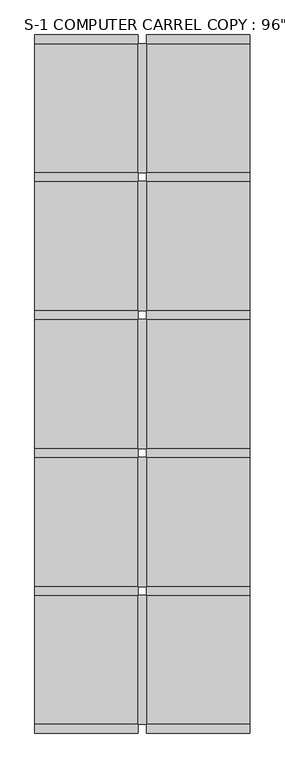
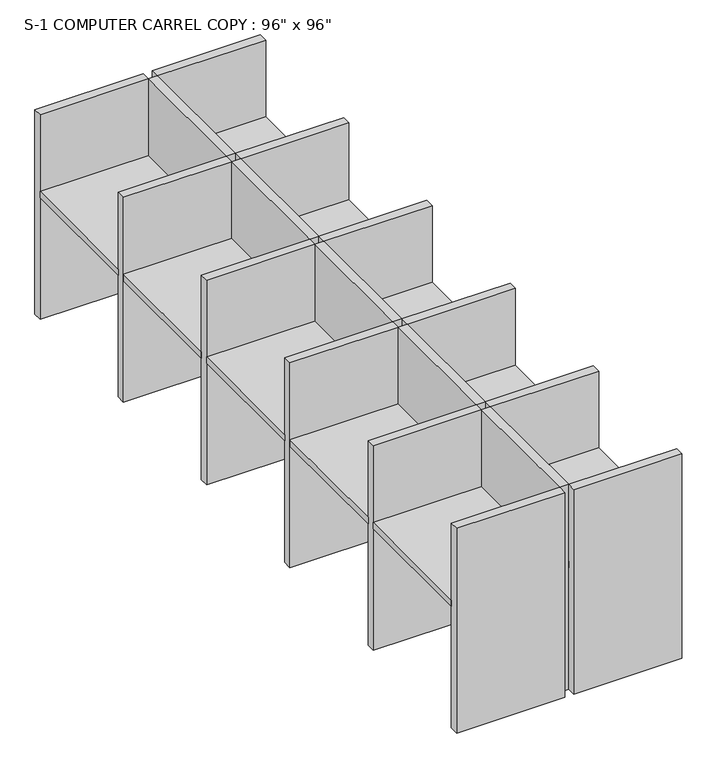
"""IFC4 building model written with IfcOpenShell, lengths in millimetres: furniture geometry."""

from ifc_helpers import new_model, si_unit, frame, origin, origin_with_axes, place, context, project, spatial, polyline, outline, extrude, source, transform, mapped, element, save


def furniture_9deba014(model_context):
    return source(origin(), model_context, "Body", "SweptSolid", [
        extrude(outline(polyline([(-741.3317522, -2171.4230076), (-741.3317522, -1409.4230076), (-131.7317522, -1409.4230076), (-131.7317522, -2171.4230076), (-741.3317522, -2171.4230076)])), frame((0.0, 0.0, 723.9), z_axis=(0.0, 0.0, 1.0), x_axis=(1.0, 0.0, 0.0)), (0.0, 0.0, 1.0), 38.1),
        extrude(outline(polyline([(-741.3317522, -4660.6230076), (-131.7317522, -4660.6230076), (-131.7317522, -5422.6230076), (-741.3317522, -5422.6230076), (-741.3317522, -4660.6230076)])), frame((0.0, 0.0, 723.9), z_axis=(0.0, 0.0, 1.0), x_axis=(1.0, 0.0, 0.0)), (0.0, 0.0, 1.0), 38.1),
        extrude(outline(polyline([(-741.3317522, -4609.8230076), (-741.3317522, -3847.8230076), (-131.7317522, -3847.8230076), (-131.7317522, -4609.8230076), (-741.3317522, -4609.8230076)])), frame((0.0, 0.0, 723.9), z_axis=(0.0, 0.0, 1.0), x_axis=(1.0, 0.0, 0.0)), (0.0, 0.0, 1.0), 38.1),
        extrude(outline(polyline([(-741.3317522, -3035.0230076), (-131.7317522, -3035.0230076), (-131.7317522, -3797.0230076), (-741.3317522, -3797.0230076), (-741.3317522, -3035.0230076)])), frame((0.0, 0.0, 723.9), z_axis=(0.0, 0.0, 1.0), x_axis=(1.0, 0.0, 0.0)), (0.0, 0.0, 1.0), 38.1),
        extrude(outline(polyline([(-741.3317522, -2984.2230076), (-741.3317522, -2222.2230076), (-131.7317522, -2222.2230076), (-131.7317522, -2984.2230076), (-741.3317522, -2984.2230076)])), frame((0.0, 0.0, 723.9), z_axis=(0.0, 0.0, 1.0), x_axis=(1.0, 0.0, 0.0)), (0.0, 0.0, 1.0), 38.1),
        extrude(outline(polyline([(528.6682478, -2171.4230076), (-80.9317522, -2171.4230076), (-80.9317522, -1409.4230076), (528.6682478, -1409.4230076), (528.6682478, -2171.4230076)])), frame((0.0, 0.0, 723.9), z_axis=(0.0, 0.0, 1.0), x_axis=(1.0, 0.0, 0.0)), (0.0, 0.0, 1.0), 38.1),
        extrude(outline(polyline([(528.6682478, -4660.6230076), (528.6682478, -5422.6230076), (-80.9317522, -5422.6230076), (-80.9317522, -4660.6230076), (528.6682478, -4660.6230076)])), frame((0.0, 0.0, 723.9), z_axis=(0.0, 0.0, 1.0), x_axis=(1.0, 0.0, 0.0)), (0.0, 0.0, 1.0), 38.1),
        extrude(outline(polyline([(528.6682478, -4609.8230076), (-80.9317522, -4609.8230076), (-80.9317522, -3847.8230076), (528.6682478, -3847.8230076), (528.6682478, -4609.8230076)])), frame((0.0, 0.0, 723.9), z_axis=(0.0, 0.0, 1.0), x_axis=(1.0, 0.0, 0.0)), (0.0, 0.0, 1.0), 38.1),
        extrude(outline(polyline([(528.6682478, -3035.0230076), (528.6682478, -3797.0230076), (-80.9317522, -3797.0230076), (-80.9317522, -3035.0230076), (528.6682478, -3035.0230076)])), frame((0.0, 0.0, 723.9), z_axis=(0.0, 0.0, 1.0), x_axis=(1.0, 0.0, 0.0)), (0.0, 0.0, 1.0), 38.1),
        extrude(outline(polyline([(528.6682478, -2984.2230076), (-80.9317522, -2984.2230076), (-80.9317522, -2222.2230076), (528.6682478, -2222.2230076), (528.6682478, -2984.2230076)])), frame((0.0, 0.0, 723.9), z_axis=(0.0, 0.0, 1.0), x_axis=(1.0, 0.0, 0.0)), (0.0, 0.0, 1.0), 38.1),
        extrude(outline(polyline([(-741.3317522, -1409.4230076), (-741.3317522, -1358.6230076), (-131.7317522, -1358.6230076), (-131.7317522, -1409.4230076), (-741.3317522, -1409.4230076)])), origin_with_axes(), (0.0, 0.0, 1.0), 1219.2),
        extrude(outline(polyline([(-741.3317522, -5422.6230076), (-131.7317522, -5422.6230076), (-131.7317522, -5473.4230076), (-741.3317522, -5473.4230076), (-741.3317522, -5422.6230076)])), origin_with_axes(), (0.0, 0.0, 1.0), 1219.2),
        extrude(outline(polyline([(-741.3317522, -4609.8230076), (-131.7317522, -4609.8230076), (-131.7317522, -4660.6230076), (-741.3317522, -4660.6230076), (-741.3317522, -4609.8230076)])), origin_with_axes(), (0.0, 0.0, 1.0), 1219.2),
        extrude(outline(polyline([(-741.3317522, -3797.0230076), (-131.7317522, -3797.0230076), (-131.7317522, -3847.8230076), (-741.3317522, -3847.8230076), (-741.3317522, -3797.0230076)])), origin_with_axes(), (0.0, 0.0, 1.0), 1219.2),
        extrude(outline(polyline([(-741.3317522, -2222.2230076), (-741.3317522, -2171.4230076), (-131.7317522, -2171.4230076), (-131.7317522, -2222.2230076), (-741.3317522, -2222.2230076)])), origin_with_axes(), (0.0, 0.0, 1.0), 1219.2),
        extrude(outline(polyline([(-741.3317522, -2984.2230076), (-131.7317522, -2984.2230076), (-131.7317522, -3035.0230076), (-741.3317522, -3035.0230076), (-741.3317522, -2984.2230076)])), origin_with_axes(), (0.0, 0.0, 1.0), 1219.2),
        extrude(outline(polyline([(-80.9317522, -1409.4230076), (-80.9317522, -2171.4230076), (-131.7317522, -2171.4230076), (-131.7317522, -1409.4230076), (-80.9317522, -1409.4230076)])), origin_with_axes(), (0.0, 0.0, 1.0), 1219.2),
        extrude(outline(polyline([(528.6682478, -1409.4230076), (-80.9317522, -1409.4230076), (-80.9317522, -1358.6230076), (528.6682478, -1358.6230076), (528.6682478, -1409.4230076)])), origin_with_axes(), (0.0, 0.0, 1.0), 1219.2),
        extrude(outline(polyline([(-80.9317522, -5422.6230076), (-131.7317522, -5422.6230076), (-131.7317522, -4660.6230076), (-80.9317522, -4660.6230076), (-80.9317522, -5422.6230076)])), origin_with_axes(), (0.0, 0.0, 1.0), 1219.2),
        extrude(outline(polyline([(528.6682478, -5422.6230076), (528.6682478, -5473.4230076), (-80.9317522, -5473.4230076), (-80.9317522, -5422.6230076), (528.6682478, -5422.6230076)])), origin_with_axes(), (0.0, 0.0, 1.0), 1219.2),
        extrude(outline(polyline([(-80.9317522, -3847.8230076), (-80.9317522, -4609.8230076), (-131.7317522, -4609.8230076), (-131.7317522, -3847.8230076), (-80.9317522, -3847.8230076)])), origin_with_axes(), (0.0, 0.0, 1.0), 1219.2),
        extrude(outline(polyline([(528.6682478, -4609.8230076), (528.6682478, -4660.6230076), (-80.9317522, -4660.6230076), (-80.9317522, -4609.8230076), (528.6682478, -4609.8230076)])), origin_with_axes(), (0.0, 0.0, 1.0), 1219.2),
        extrude(outline(polyline([(-80.9317522, -3797.0230076), (-131.7317522, -3797.0230076), (-131.7317522, -3035.0230076), (-80.9317522, -3035.0230076), (-80.9317522, -3797.0230076)])), origin_with_axes(), (0.0, 0.0, 1.0), 1219.2),
        extrude(outline(polyline([(528.6682478, -3797.0230076), (528.6682478, -3847.8230076), (-80.9317522, -3847.8230076), (-80.9317522, -3797.0230076), (528.6682478, -3797.0230076)])), origin_with_axes(), (0.0, 0.0, 1.0), 1219.2),
        extrude(outline(polyline([(-80.9317522, -2222.2230076), (-80.9317522, -2984.2230076), (-131.7317522, -2984.2230076), (-131.7317522, -2222.2230076), (-80.9317522, -2222.2230076)])), origin_with_axes(), (0.0, 0.0, 1.0), 1219.2),
        extrude(outline(polyline([(528.6682478, -2222.2230076), (-80.9317522, -2222.2230076), (-80.9317522, -2171.4230076), (528.6682478, -2171.4230076), (528.6682478, -2222.2230076)])), origin_with_axes(), (0.0, 0.0, 1.0), 1219.2),
        extrude(outline(polyline([(528.6682478, -2984.2230076), (528.6682478, -3035.0230076), (-80.9317522, -3035.0230076), (-80.9317522, -2984.2230076), (528.6682478, -2984.2230076)])), origin_with_axes(), (0.0, 0.0, 1.0), 1219.2),
    ])


if __name__ == "__main__":
    model = new_model("IFC4")
    model_context = context("Model", 3, world=origin())
    ifc_project = project(units=[si_unit("LENGTHUNIT", "METRE", prefix="MILLI")], contexts=[model_context])
    site = spatial("IfcSite", under=ifc_project)
    building = spatial("IfcBuilding", under=site)
    placement = place(None, origin())
    furniture_shape = furniture_9deba014(model_context)
    element("IfcFurniture", 1, ObjectType="S-1 COMPUTER CARREL COPY : 96\" x 96\"", at=placement, inside=building, context=model_context, shape_type="MappedRepresentation", body=[
        mapped(furniture_shape, transform((0.0, 0.0, 0.0), x_axis=(1.0, 0.0, 0.0), y_axis=(0.0, 1.0, 0.0), z_axis=(0.0, 0.0, 1.0))),
    ])
    save(model, "model.ifc")
